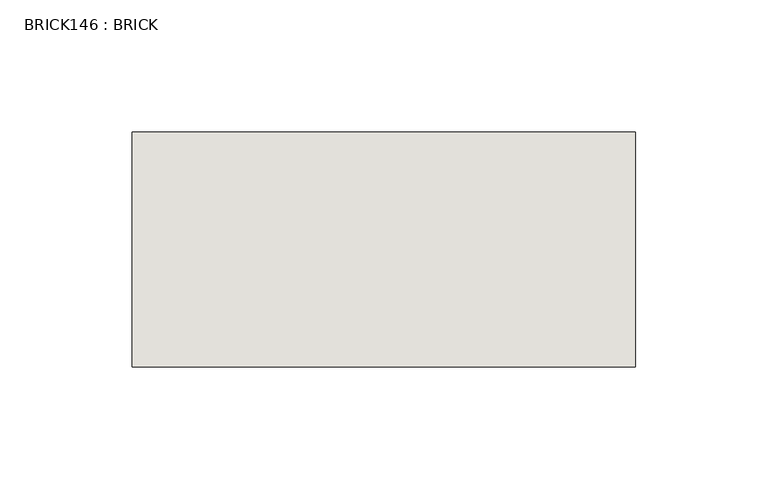
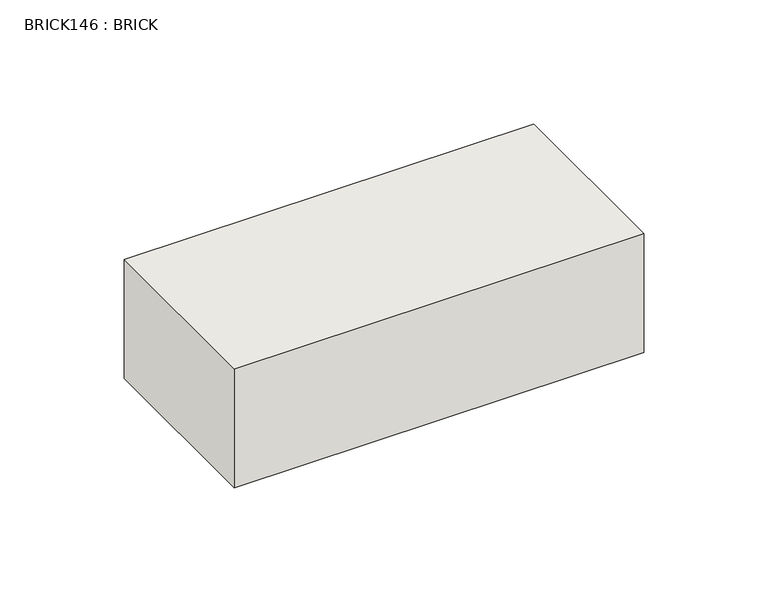
"""IFC4 building model written with IfcOpenShell, lengths in millimetres: wall geometry, BRICK146 : BRICK."""

from ifc_helpers import new_model, si_unit, frame, origin, place, context, project, spatial, polyline, outline, extrude, source, transform, mapped, element, save


def brick146_brick_873d1d27(model_context):
    return source(origin(), model_context, "Body", "SweptSolid", [
        extrude(outline(polyline([(-181.1469289, 2586.2274125), (9.3530711, 2586.2274125), (9.3530711, 2497.3274125), (-181.1469289, 2497.3274125), (-181.1469289, 2586.2274125)])), frame((0.0, 0.0, 74.3148438), z_axis=(0.0, 0.0, 1.0), x_axis=(1.0, 0.0, 0.0)), (0.0, 0.0, 1.0), 58.4398437),
    ])


if __name__ == "__main__":
    model = new_model("IFC4")
    model_context = context("Model", 3, world=origin())
    ifc_project = project(units=[si_unit("LENGTHUNIT", "METRE", prefix="MILLI")], contexts=[model_context])
    site = spatial("IfcSite", under=ifc_project)
    building = spatial("IfcBuilding", under=site)
    placement = place(None, origin())
    brick146_brick_shape = brick146_brick_873d1d27(model_context)
    element("IfcWall", 1, ObjectType="BRICK146 : BRICK", at=placement, inside=building, context=model_context, shape_type="MappedRepresentation", body=[
        mapped(brick146_brick_shape, transform((0.0, 0.0, 0.0), x_axis=(1.0, 0.0, 0.0), y_axis=(0.0, 1.0, 0.0), z_axis=(0.0, 0.0, 1.0))),
    ])
    save(model, "model.ifc")
